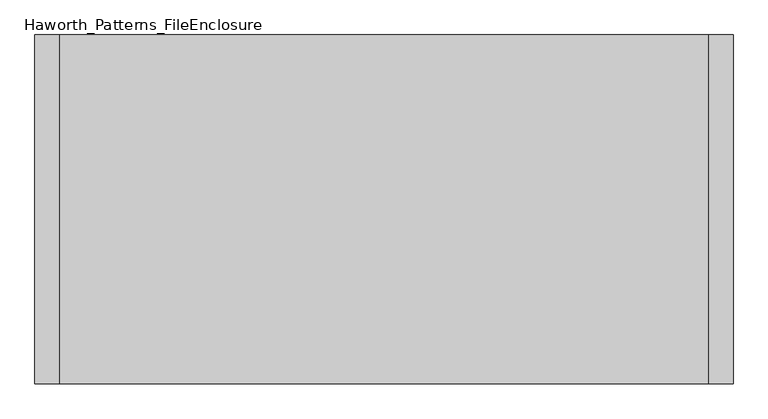
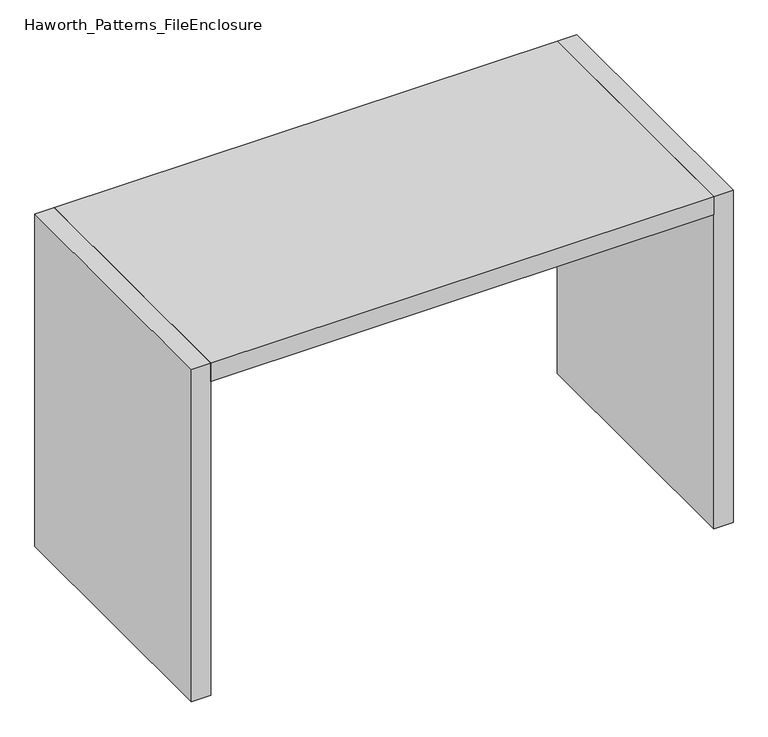
"""IFC4 building model written with IfcOpenShell, lengths in millimetres: furniture geometry, Haworth_Patterns_FileEnclosure."""

from ifc_helpers import new_model, si_unit, frame, origin, origin_with_axes, place, context, project, spatial, polyline, outline, extrude, source, transform, mapped, element, save


def haworth_patterns_fileenclosure_011aead6(model_context):
    return source(origin(), model_context, "Body", "SweptSolid", [
        extrude(outline(polyline([(990.6, 0.0), (990.6, -1066.8), (-990.6, -1066.8), (-990.6, 0.0), (990.6, 0.0)])), frame((0.0, 0.0, 1308.1), z_axis=(0.0, 0.0, 1.0), x_axis=(1.0, 0.0, 0.0)), (0.0, 0.0, 1.0), 76.2),
        extrude(outline(polyline([(990.6, 0.0), (1066.8, 0.0), (1066.8, -1066.8), (990.6, -1066.8), (990.6, 0.0)])), origin_with_axes(), (0.0, 0.0, 1.0), 1384.3),
        extrude(outline(polyline([(-990.6, 0.0), (-990.6, -1066.8), (-1066.8, -1066.8), (-1066.8, 0.0), (-990.6, 0.0)])), origin_with_axes(), (0.0, 0.0, 1.0), 1384.3),
    ])


if __name__ == "__main__":
    model = new_model("IFC4")
    model_context = context("Model", 3, world=origin())
    ifc_project = project(units=[si_unit("LENGTHUNIT", "METRE", prefix="MILLI")], contexts=[model_context])
    site = spatial("IfcSite", under=ifc_project)
    building = spatial("IfcBuilding", under=site)
    placement = place(None, origin())
    haworth_patterns_fileenclosure_shape = haworth_patterns_fileenclosure_011aead6(model_context)
    element("IfcFurniture", 1, ObjectType="Haworth_Patterns_FileEnclosure", at=placement, inside=building, context=model_context, shape_type="MappedRepresentation", body=[
        mapped(haworth_patterns_fileenclosure_shape, transform((0.0, 0.0, 0.0), x_axis=(1.0, 0.0, 0.0), y_axis=(0.0, 1.0, 0.0), z_axis=(0.0, 0.0, 1.0))),
    ])
    save(model, "model.ifc")
